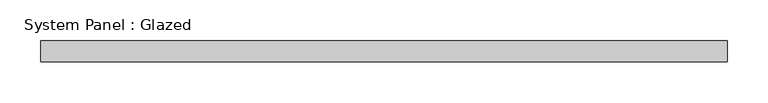
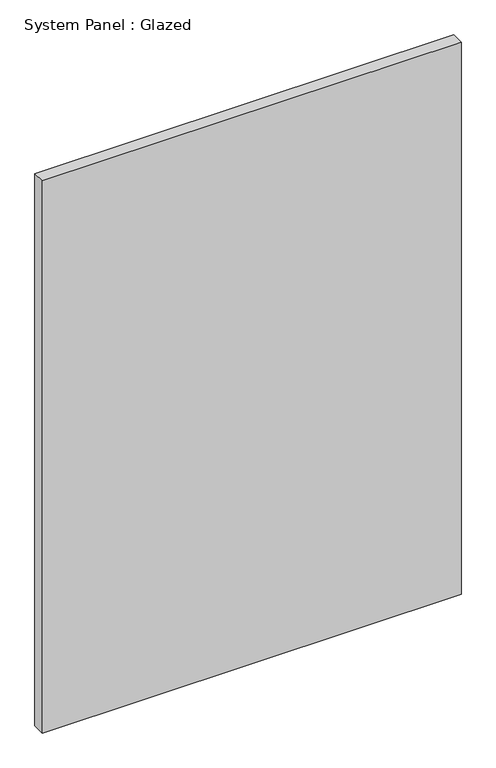
"""IFC4 building model written with IfcOpenShell, lengths in millimetres: plate geometry, System Panel : Glazed."""

from ifc_helpers import new_model, si_unit, origin, origin_with_axes, place, context, project, spatial, polyline, outline, extrude, source, transform, mapped, element, save


def system_panel_glazed_338b2329(model_context):
    return source(origin(), model_context, "Body", "SweptSolid", [
        extrude(outline(polyline([(419.1, 25.4), (-419.1, 25.4), (-419.1, 50.8), (419.1, 50.8), (419.1, 25.4)])), origin_with_axes(), (0.0, 0.0, 1.0), 1168.4),
    ])


if __name__ == "__main__":
    model = new_model("IFC4")
    model_context = context("Model", 3, world=origin())
    ifc_project = project(units=[si_unit("LENGTHUNIT", "METRE", prefix="MILLI")], contexts=[model_context])
    site = spatial("IfcSite", under=ifc_project)
    building = spatial("IfcBuilding", under=site)
    placement = place(None, origin())
    system_panel_glazed_shape = system_panel_glazed_338b2329(model_context)
    element("IfcPlate", 1, ObjectType="System Panel : Glazed", at=placement, inside=building, context=model_context, shape_type="MappedRepresentation", body=[
        mapped(system_panel_glazed_shape, transform((0.0, 0.0, 0.0), x_axis=(1.0, 0.0, 0.0), y_axis=(0.0, 1.0, 0.0), z_axis=(0.0, 0.0, 1.0))),
    ])
    save(model, "model.ifc")
